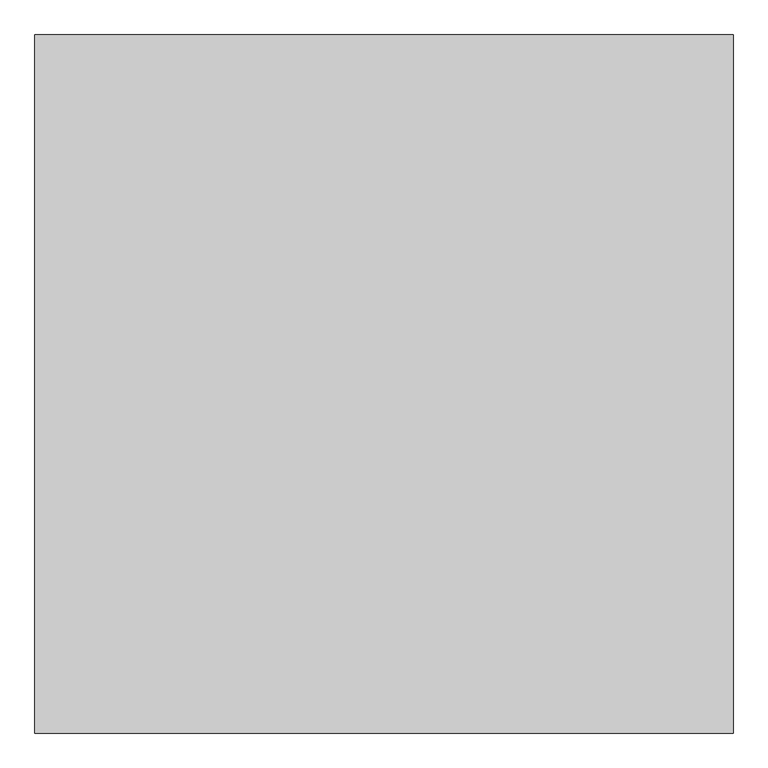
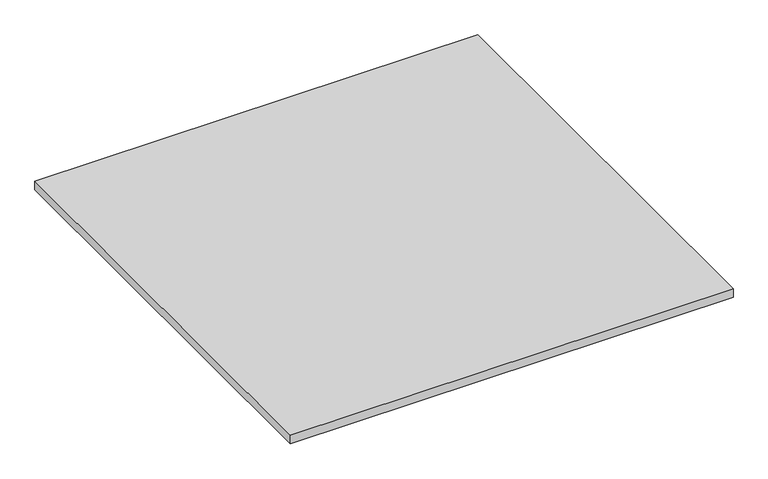
"""IFC4 building model written with IfcOpenShell, lengths in millimetres: proxy geometry."""

from ifc_helpers import new_model, si_unit, origin, origin_with_axes, place, context, project, spatial, polyline, outline, extrude, source, transform, mapped, element, save


def generic_models_c172bb28(model_context):
    return source(origin(), model_context, "Body", "SweptSolid", [
        extrude(outline(polyline([(-5784.8983566, -7852.8374841), (-5784.8983566, -8852.8374841), (-6784.8983566, -8852.8374841), (-6784.8983566, -7852.8374841), (-5784.8983566, -7852.8374841)])), origin_with_axes(), (0.0, 0.0, 1.0), 20.0),
    ])


if __name__ == "__main__":
    model = new_model("IFC4")
    model_context = context("Model", 3, world=origin())
    ifc_project = project(units=[si_unit("LENGTHUNIT", "METRE", prefix="MILLI")], contexts=[model_context])
    site = spatial("IfcSite", under=ifc_project)
    building = spatial("IfcBuilding", under=site)
    placement = place(None, origin())
    generic_models_shape = generic_models_c172bb28(model_context)
    element("IfcBuildingElementProxy", 1, Name="Generic Models", at=placement, inside=building, context=model_context, shape_type="MappedRepresentation", body=[
        mapped(generic_models_shape, transform((0.0, 0.0, 0.0), x_axis=(1.0, 0.0, 0.0), y_axis=(0.0, 1.0, 0.0), z_axis=(0.0, 0.0, 1.0))),
    ])
    save(model, "model.ifc")
